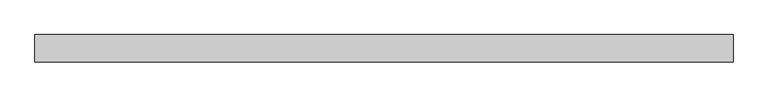
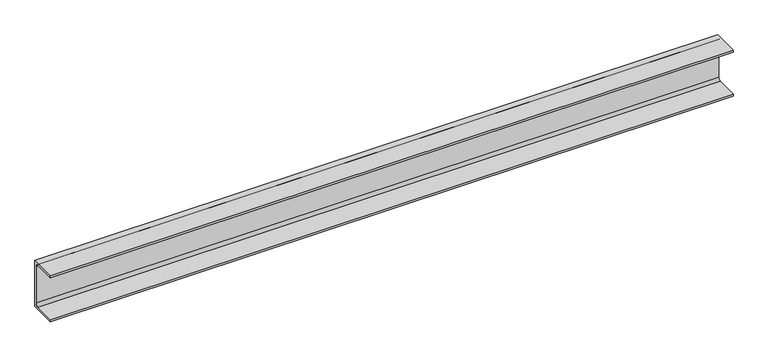
"""IFC4 building model written with IfcOpenShell, lengths in millimetres: beam geometry."""

from ifc_helpers import new_model, si_unit, point, frame, frame_2d, origin, place, context, project, spatial, polyline, circle_curve, trimmed, segment, composite_curve, outline, extrude, source, transform, mapped, element, save


def beam_d33774c8(model_context):
    return source(origin(), model_context, "Body", "SweptSolid", [
        extrude(outline(composite_curve([segment(polyline([(25.2, 90.0), (25.2, -90.0), (-74.8, -90.0), (-74.8, -82.0), (6.7, -82.0)]), True, "CONTINUOUS"), segment(trimmed(circle_curve(frame_2d((6.7, -71.5)), 10.5), [point((6.7, -82.0))], [point((17.2, -71.5))], True, "CARTESIAN"), True, "CONTINUOUS"), segment(polyline([(17.2, -71.5), (17.2, 71.5)]), True, "CONTINUOUS"), segment(trimmed(circle_curve(frame_2d((6.7, 71.5)), 10.5), [point((17.2, 71.5))], [point((6.7, 82.0))], True, "CARTESIAN"), True, "CONTINUOUS"), segment(polyline([(6.7, 82.0), (-74.8, 82.0), (-74.8, 90.0), (25.2, 90.0)]), True, "CONTINUOUS")], self_intersect=False)), frame((-1270.0, 0.0, 0.0), z_axis=(1.0, 0.0, 0.0), x_axis=(0.0, 1.0, 0.0)), (0.0, 0.0, 1.0), 2540.0),
    ])


if __name__ == "__main__":
    model = new_model("IFC4")
    model_context = context("Model", 3, world=origin())
    ifc_project = project(units=[si_unit("LENGTHUNIT", "METRE", prefix="MILLI")], contexts=[model_context])
    site = spatial("IfcSite", under=ifc_project)
    building = spatial("IfcBuilding", under=site)
    placement = place(None, origin())
    beam_shape = beam_d33774c8(model_context)
    element("IfcBeam", 1, at=placement, inside=building, context=model_context, shape_type="MappedRepresentation", body=[
        mapped(beam_shape, transform((0.0, 0.0, 0.0), x_axis=(1.0, 0.0, 0.0), y_axis=(0.0, 1.0, 0.0), z_axis=(0.0, 0.0, 1.0))),
    ])
    save(model, "model.ifc")
